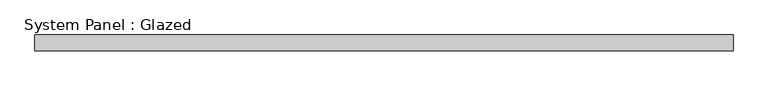
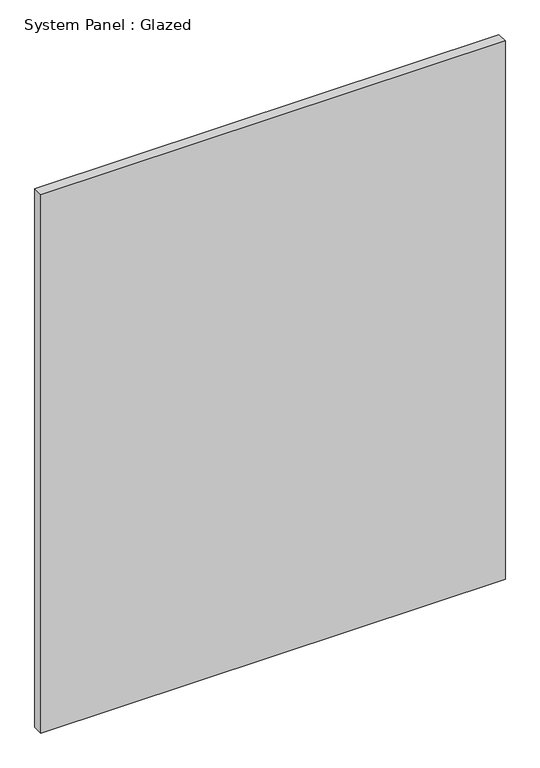
"""IFC4 building model written with IfcOpenShell, lengths in millimetres: plate geometry, System Panel : Glazed."""

from ifc_helpers import new_model, si_unit, origin, origin_with_axes, place, context, project, spatial, polyline, outline, extrude, source, transform, mapped, element, save


def system_panel_glazed_17c3a178(model_context):
    return source(origin(), model_context, "Body", "SweptSolid", [
        extrude(outline(polyline([(561.975, 19.05), (-561.975, 19.05), (-561.975, 44.45), (561.975, 44.45), (561.975, 19.05)])), origin_with_axes(), (0.0, 0.0, 1.0), 1377.018755),
    ])


if __name__ == "__main__":
    model = new_model("IFC4")
    model_context = context("Model", 3, world=origin())
    ifc_project = project(units=[si_unit("LENGTHUNIT", "METRE", prefix="MILLI")], contexts=[model_context])
    site = spatial("IfcSite", under=ifc_project)
    building = spatial("IfcBuilding", under=site)
    placement = place(None, origin())
    system_panel_glazed_shape = system_panel_glazed_17c3a178(model_context)
    element("IfcPlate", 1, ObjectType="System Panel : Glazed", at=placement, inside=building, context=model_context, shape_type="MappedRepresentation", body=[
        mapped(system_panel_glazed_shape, transform((0.0, 0.0, 0.0), x_axis=(1.0, 0.0, 0.0), y_axis=(0.0, 1.0, 0.0), z_axis=(0.0, 0.0, 1.0))),
    ])
    save(model, "model.ifc")
